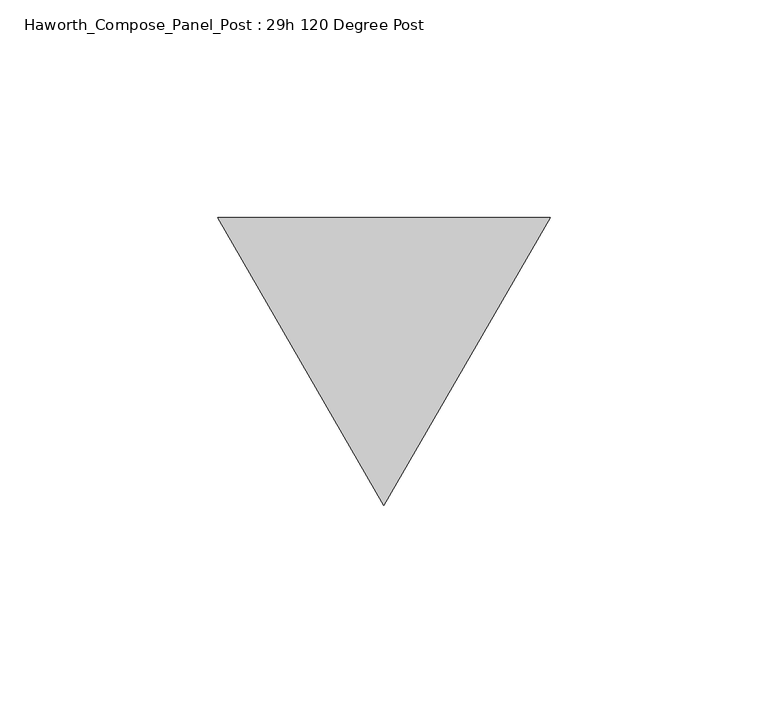
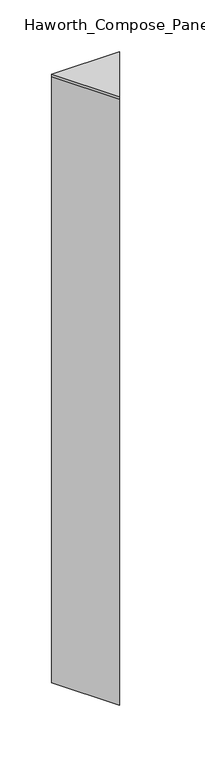
"""IFC4 building model written with IfcOpenShell, lengths in millimetres: furniture geometry, Haworth_Compose_Panel_Post : 29h 120 Degree Post."""

from ifc_helpers import new_model, si_unit, frame, origin, place, context, project, spatial, polyline, outline, extrude, source, transform, mapped, element, save


def haworth_compose_panel_post_29h_120_degree_post_f7aef9a5(model_context):
    return source(origin(), model_context, "Body", "SweptSolid", [
        extrude(outline(polyline([(76.2, 32.9955679), (38.1, -32.9955679), (0.0, 32.9955679), (76.2, 32.9955679)])), frame((0.0, 0.0, 730.25), z_axis=(0.0, 0.0, 1.0), x_axis=(1.0, 0.0, 0.0)), (0.0, 0.0, 1.0), 3.175),
        extrude(outline(polyline([(76.2, 32.9955679), (38.1, -32.9955679), (0.0, 32.9955679), (76.2, 32.9955679)])), frame((0.0, 0.0, 12.7), z_axis=(0.0, 0.0, 1.0), x_axis=(1.0, 0.0, 0.0)), (0.0, 0.0, 1.0), 717.55),
    ])


if __name__ == "__main__":
    model = new_model("IFC4")
    model_context = context("Model", 3, world=origin())
    ifc_project = project(units=[si_unit("LENGTHUNIT", "METRE", prefix="MILLI")], contexts=[model_context])
    site = spatial("IfcSite", under=ifc_project)
    building = spatial("IfcBuilding", under=site)
    placement = place(None, origin())
    haworth_compose_panel_post_29h_120_degree_post_shape = haworth_compose_panel_post_29h_120_degree_post_f7aef9a5(model_context)
    element("IfcFurniture", 1, ObjectType="Haworth_Compose_Panel_Post : 29h 120 Degree Post", at=placement, inside=building, context=model_context, shape_type="MappedRepresentation", body=[
        mapped(haworth_compose_panel_post_29h_120_degree_post_shape, transform((0.0, 0.0, 0.0), x_axis=(1.0, 0.0, 0.0), y_axis=(0.0, 1.0, 0.0), z_axis=(0.0, 0.0, 1.0))),
    ])
    save(model, "model.ifc")
